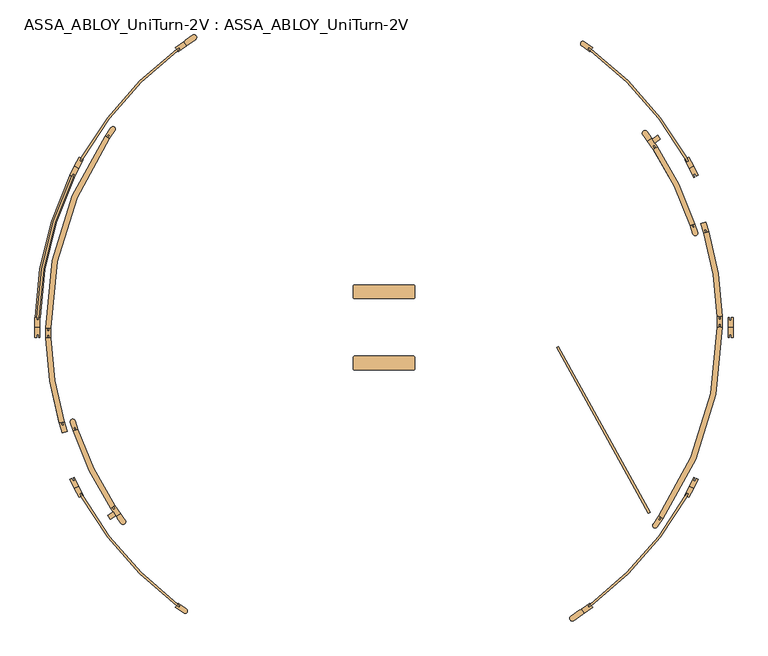
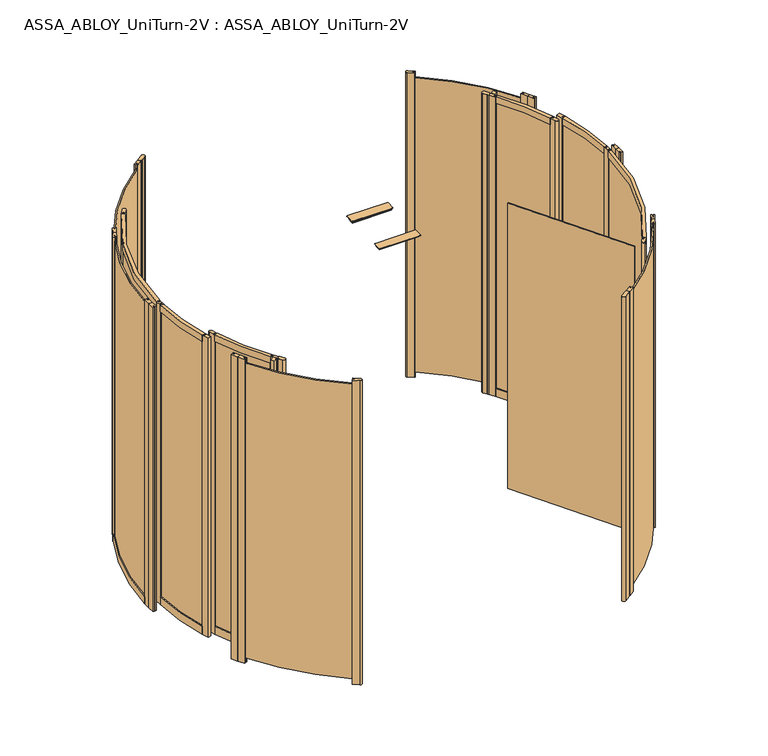
"""IFC4 building model written with IfcOpenShell, lengths in millimetres: door geometry, ASSA_ABLOY_UniTurn-2V : ASSA_ABLOY_UniTurn-2V."""

from ifc_helpers import new_model, si_unit, point, frame, frame_2d, origin, origin_with_axes, place, context, project, spatial, polyline, circle_curve, trimmed, segment, composite_curve, outline, extrude, source, transform, mapped, element, save
from ifc_brep_helpers import plane_surface, cylinder_surface, revolved_surface, advanced_brep


def assa_abloy_uniturn_2v_assa_abloy_uniturn_2v_3fd08d6d(model_context):
    return source(origin(), model_context, "Body", "SolidModel", [
        advanced_brep(
        [(-1700.2306704, 53.0, 56.0), (-1700.2306704, 53.0, 0.0), (-1674.2416247, 52.245345, 0.0), (-1674.2416247, 52.245345, 56.0), (-1679.2395181, 52.390471, 56.0), (-1679.2395181, 52.390471, 41.0), (-1689.2353049, 52.6807229, 41.0), (-1689.2353049, 52.6807229, 56.0), (-1518.4720542, 795.7861567, 56.0), (-1508.5716201, 790.9922642, 56.0), (-1508.5716201, 790.9922642, 41.0), (-1499.5712255, 786.6341801, 41.0), (-1499.5712255, 786.6341801, 56.0), (-1495.0710282, 784.4551381, 56.0), (-1495.0710282, 784.4551381, 0.0), (-1518.4720542, 795.7861567, 0.0)],
        [
            (0, 1),
            (1, 2),
            (2, 3),
            (3, 4),
            (4, 5),
            (5, 6),
            (6, 7),
            (7, 0),
            (8, 9),
            (9, 10),
            (10, 11),
            (11, 12),
            (12, 13),
            (13, 14),
            (14, 15),
            (15, 8),
            (15, 1, circle_curve(frame((125.0, 0.0, 0.0), z_axis=(0.0, 0.0, 1.0), x_axis=(-0.9995786803689732, 0.029025191675892625, 0.0)), 1826.0)),
            (0, 8, circle_curve(frame((125.0, 0.0, 56.0), z_axis=(0.0, 0.0, -1.0), x_axis=(-0.9995786803689732, 0.029025191675892625, 0.0)), 1826.0)),
            (14, 2, circle_curve(frame((125.0, 0.0, 0.0), z_axis=(0.0, 0.0, 1.0), x_axis=(-0.9995786803689732, 0.029025191675892625, 0.0)), 1800.0)),
            (13, 3, circle_curve(frame((125.0, 0.0, 56.0), z_axis=(0.0, 0.0, 1.0), x_axis=(-0.9995786803689732, 0.029025191675892625, 0.0)), 1800.0)),
            (12, 4, circle_curve(frame((125.0, 0.0, 56.0), z_axis=(0.0, 0.0, 1.0), x_axis=(-0.9995786803689732, 0.029025191675892625, 0.0)), 1805.0)),
            (11, 5, circle_curve(frame((125.0, 0.0, 41.0), z_axis=(0.0, 0.0, 1.0), x_axis=(-0.9995786803689732, 0.029025191675892625, 0.0)), 1805.0)),
            (10, 6, circle_curve(frame((125.0, 0.0, 41.0), z_axis=(0.0, 0.0, 1.0), x_axis=(-0.9995786803689732, 0.029025191675892625, 0.0)), 1815.0)),
            (9, 7, circle_curve(frame((125.0, 0.0, 56.0), z_axis=(0.0, 0.0, 1.0), x_axis=(-0.9995786803689732, 0.029025191675892625, 0.0)), 1815.0)),
        ],
        [
            plane_surface(frame((-1700.2306704, 53.0, 0.0), z_axis=(-0.02902519167589263, -0.9995786803689732, 0.0), x_axis=(0.0, 0.0, 1.0))),
            plane_surface(frame((-1518.4720542, 795.7861567, 0.0), z_axis=(0.43580841002827103, 0.9000394601064059, 0.0), x_axis=(0.0, 0.0, 1.0))),
            cylinder_surface(frame((125.0, 0.0, 0.0), z_axis=(0.0, 0.0, -1.0000000000000002), x_axis=(-0.9995786803689732, 0.029025191675892625, 0.0)), 1826.0),
            plane_surface(frame((125.0, 0.0, 0.0), z_axis=(0.0, 0.0, -1.0000000000000002), x_axis=(-0.9995786803689732, 0.029025191675892625, 0.0))),
            revolved_surface(polyline([(-1674.241624664152, 52.24534501660673, 0.0), (-1674.241624664152, 52.24534501660673, 56.00000000000003)]), (125.0, 0.0, 0.0), (0.0, 0.0, -1.0000000000000002)),
            plane_surface(frame((125.0, 0.0, 56.0), z_axis=(0.0, 0.0, 1.0000000000000002), x_axis=(-0.9995786803689732, 0.029025191675892625, 0.0))),
            cylinder_surface(frame((125.0, 0.0, 0.0), z_axis=(0.0, 0.0, -1.0000000000000002), x_axis=(-0.9995786803689732, 0.029025191675892625, 0.0)), 1805.0),
            plane_surface(frame((125.0, 0.0, 41.0), z_axis=(0.0, 0.0, 1.0000000000000002), x_axis=(-0.9995786803689732, 0.029025191675892625, 0.0))),
            revolved_surface(polyline([(-1689.2353048696864, 52.68072289174511, 41.000000000000014), (-1689.2353048696864, 52.68072289174511, 56.00000000000003)]), (125.0, 0.0, 0.0), (0.0, 0.0, -1.0000000000000002)),
        ],
        [
            (0, [[1, 2, 3, 4, 5, 6, 7, 8]]),
            (1, [[9, 10, 11, 12, 13, 14, 15, 16]]),
            (2, [[17, -1, 18, -16]]),
            (3, [[19, -2, -17, -15]]),
            (4, [[20, -3, -19, -14]]),
            (5, [[21, -4, -20, -13]]),
            (6, [[22, -5, -21, -12]]),
            (7, [[23, -6, -22, -11]]),
            (8, [[24, -7, -23, -10]]),
            (5, [[-18, -8, -24, -9]]),
        ],
    ),
        extrude(outline(composite_curve([segment(polyline([(-907.4375854, 1474.4736797), (-922.3505728, 1495.7716329), (-913.9952219, 1501.6221125), (-914.5687984, 1502.4412646), (-877.0516347, 1528.7110654)]), True, "CONTINUOUS"), segment(trimmed(circle_curve(frame_2d((-869.0215646, 1517.2429367)), 14.0), [point((-877.0516347, 1528.7110654))], [point((-860.9914945, 1505.7748081))], False, "CARTESIAN"), True, "CONTINUOUS"), segment(polyline([(-860.9914945, 1505.7748081), (-898.5086581, 1479.5050073), (-899.0822346, 1480.3241594), (-907.4375854, 1474.4736797)]), True, "CONTINUOUS")], self_intersect=False)), origin_with_axes(), (0.0, 0.0, 1.0), 2500.0),
        extrude(outline(composite_curve([segment(polyline([(1172.3505728, -1495.7716329), (1163.9952219, -1501.6221125), (1164.5687984, -1502.4412646), (1118.6962839, -1534.561545)]), True, "CONTINUOUS"), segment(trimmed(circle_curve(frame_2d((1110.6662138, -1523.0934164)), 14.0), [point((1118.6962839, -1534.561545))], [point((1102.6361437, -1511.6252878))], False, "CARTESIAN"), True, "CONTINUOUS"), segment(polyline([(1102.6361437, -1511.6252878), (1148.5086581, -1479.5050073), (1149.0822346, -1480.3241594), (1157.4375854, -1474.4736797), (1172.3505728, -1495.7716329)]), True, "CONTINUOUS")], self_intersect=False)), origin_with_axes(), (0.0, 0.0, 1.0), 2500.0),
        extrude(outline(composite_curve([segment(polyline([(1701.7592796, -880.5601708), (1709.1472574, -866.3679974), (1718.0173657, -870.9854836), (1710.6293879, -885.1776569)]), True, "CONTINUOUS"), segment(trimmed(circle_curve(frame_2d((125.0, 0.0)), 1815.9735791), [point((1710.6293879, -885.1776569))], [point((1209.5710056, -1456.5252397))], False, "CARTESIAN"), True, "CONTINUOUS"), segment(polyline([(1209.5710056, -1456.5252397), (1196.4645729, -1465.7024626), (1190.7288085, -1457.5109422), (1203.8352412, -1448.3337192)]), True, "CONTINUOUS"), segment(trimmed(circle_curve(frame_2d((125.0, 0.0)), 1805.9778625), [point((1203.8352412, -1448.3337192))], [point((1701.7592796, -880.5601708))], True, "CARTESIAN"), True, "CONTINUOUS")], self_intersect=False)), frame((0.0, 0.0, 41.0), z_axis=(0.0, 0.0, 1.0), x_axis=(1.0, 0.0, 0.0)), (0.0, 0.0, 1.0), 2421.0),
        extrude(outline(composite_curve([segment(trimmed(circle_curve(frame_2d((125.0, 0.0)), 1815.9651017), [point((1209.3324154, 1456.6923023))], [point((1710.763879, 884.9193018))], False, "CARTESIAN"), True, "CONTINUOUS"), segment(polyline([(1710.763879, 884.9193018), (1718.0173657, 870.9854836), (1709.1472574, 866.3679974), (1701.7592796, 880.5601708)]), True, "CONTINUOUS"), segment(trimmed(circle_curve(frame_2d((125.0, 0.0)), 1805.9778625), [point((1701.7592796, 880.5601708))], [point((1203.8352412, 1448.3337192))], True, "CARTESIAN"), True, "CONTINUOUS"), segment(polyline([(1203.8352412, 1448.3337192), (1190.7288085, 1457.5109422), (1196.4645729, 1465.7024626), (1209.3324154, 1456.6923023)]), True, "CONTINUOUS")], self_intersect=False)), frame((0.0, 0.0, 41.0), z_axis=(0.0, 0.0, 1.0), x_axis=(1.0, 0.0, 0.0)), (0.0, 0.0, 1.0), 2421.0),
        extrude(outline(polyline([(1172.3505728, -1495.7716329), (1157.4375854, -1474.4736797), (1200.8526438, -1444.0741286), (1203.8352412, -1448.3337192), (1190.7288085, -1457.5109422), (1196.4645729, -1465.7024626), (1209.5710056, -1456.5252397), (1215.7656311, -1465.3720817), (1172.3505728, -1495.7716329)])), origin_with_axes(), (0.0, 0.0, 1.0), 2500.0),
        extrude(outline(polyline([(1744.6817814, -843.1529678), (1720.2091049, -890.1645419), (1710.6293879, -885.1776569), (1718.0173657, -870.9854836), (1709.1472574, -866.3679974), (1701.7592796, -880.5601708), (1697.1468232, -878.159078), (1721.6194997, -831.1475038), (1744.6817814, -843.1529678)])), origin_with_axes(), (0.0, 0.0, 1.0), 2500.0),
        extrude(outline(polyline([(1744.6817814, -843.1529678), (1721.6194997, -831.1475038), (1746.0921762, -784.1359297), (1750.7046326, -786.5370225), (1743.3166547, -800.7291958), (1752.1867631, -805.3466819), (1759.5747409, -791.1545086), (1769.1544579, -796.1413936), (1744.6817814, -843.1529678)])), origin_with_axes(), (0.0, 0.0, 1.0), 2500.0),
        extrude(outline(composite_curve([segment(polyline([(1215.7656311, 1465.3720817), (1209.5710056, 1456.5252397), (1196.4645729, 1465.7024626), (1190.7288085, 1457.5109422), (1203.8352412, 1448.3337192), (1200.8526438, 1444.0741286), (1158.4205679, 1473.785388)]), True, "CONTINUOUS"), segment(trimmed(circle_curve(frame_2d((1165.8770616, 1484.4343646)), 13.0), [point((1158.4205679, 1473.785388))], [point((1173.3335552, 1495.0833411))], False, "CARTESIAN"), True, "CONTINUOUS"), segment(polyline([(1173.3335552, 1495.0833411), (1215.7656311, 1465.3720817)]), True, "CONTINUOUS")], self_intersect=False)), origin_with_axes(), (0.0, 0.0, 1.0), 2500.0),
        extrude(outline(polyline([(1744.6817814, 843.1529678), (1769.1544579, 796.1413936), (1759.5747409, 791.1545086), (1752.1867631, 805.3466819), (1743.3166547, 800.7291958), (1750.7046326, 786.5370225), (1746.0921762, 784.1359297), (1721.6194997, 831.1475038), (1744.6817814, 843.1529678)])), origin_with_axes(), (0.0, 0.0, 1.0), 2500.0),
        extrude(outline(polyline([(1744.6817814, 843.1529678), (1721.6194997, 831.1475038), (1697.1468232, 878.159078), (1701.7592796, 880.5601708), (1709.1472574, 866.3679974), (1718.0173657, 870.9854836), (1710.6293879, 885.1776569), (1720.2091049, 890.1645419), (1744.6817814, 843.1529678)])), origin_with_axes(), (0.0, 0.0, 1.0), 2500.0),
        extrude(outline(polyline([(1951.0, 0.0), (1951.0, -53.0), (1940.2, -53.0), (1940.2, -37.0), (1930.2, -37.0), (1930.2, -53.0), (1925.0, -53.0), (1925.0, 0.0), (1951.0, 0.0)])), origin_with_axes(), (0.0, 0.0, 1.0), 2500.0),
        extrude(outline(polyline([(1951.0, 0.0), (1925.0, 0.0), (1925.0, 53.0), (1930.2, 53.0), (1930.2, 37.0), (1940.2, 37.0), (1940.2, 53.0), (1951.0, 53.0), (1951.0, 0.0)])), origin_with_axes(), (0.0, 0.0, 1.0), 2500.0),
        extrude(outline(composite_curve([segment(polyline([(-953.8352412, -1448.3337192), (-941.5479606, -1456.9373658), (-947.2837249, -1465.1288862), (-959.5710056, -1456.5252397)]), True, "CONTINUOUS"), segment(trimmed(circle_curve(frame_2d((125.0, 0.0)), 1815.9735791), [point((-959.5710056, -1456.5252397))], [point((-1460.6293879, -885.1776569))], False, "CARTESIAN"), True, "CONTINUOUS"), segment(polyline([(-1460.6293879, -885.1776569), (-1467.5556171, -871.8724944), (-1458.6855088, -867.2550083), (-1451.7592795, -880.5601708)]), True, "CONTINUOUS"), segment(trimmed(circle_curve(frame_2d((125.0, 0.0)), 1805.9778625), [point((-1451.7592795, -880.5601708))], [point((-953.8352412, -1448.3337192))], True, "CARTESIAN"), True, "CONTINUOUS")], self_intersect=False)), frame((0.0, 0.0, 41.0), z_axis=(0.0, 0.0, 1.0), x_axis=(1.0, 0.0, 0.0)), (0.0, 0.0, 1.0), 2421.0),
        extrude(outline(composite_curve([segment(trimmed(circle_curve(frame_2d((125.0, 0.0)), 1805.9778625), [point((-953.8352412, 1448.3337192))], [point((-1451.7592796, 880.5601708))], True, "CARTESIAN"), True, "CONTINUOUS"), segment(polyline([(-1451.7592796, 880.5601708), (-1458.6855088, 867.2550083), (-1467.5556171, 871.8724944), (-1460.6293879, 885.1776569)]), True, "CONTINUOUS"), segment(trimmed(circle_curve(frame_2d((125.0, 0.0)), 1815.9735791), [point((-1460.6293879, 885.1776569))], [point((-959.5710056, 1456.5252397))], False, "CARTESIAN"), True, "CONTINUOUS"), segment(polyline([(-959.5710056, 1456.5252397), (-947.2837249, 1465.1288862), (-941.5479606, 1456.9373658), (-953.8352412, 1448.3337192)]), True, "CONTINUOUS")], self_intersect=False)), frame((0.0, 0.0, 41.0), z_axis=(0.0, 0.0, 1.0), x_axis=(1.0, 0.0, 0.0)), (0.0, 0.0, 1.0), 2421.0),
        extrude(outline(composite_curve([segment(trimmed(circle_curve(frame_2d((125.0, 0.0)), 1805.9778625), [point((-1500.7046326, 786.5370225))], [point((-1680.2, 53.0))], True, "CARTESIAN"), True, "CONTINUOUS"), segment(polyline([(-1680.2, 53.0), (-1680.2, 38.0), (-1690.2, 38.0), (-1690.2, 53.0)]), True, "CONTINUOUS"), segment(trimmed(circle_curve(frame_2d((125.0, 0.0)), 1815.9735791), [point((-1690.2, 53.0))], [point((-1509.5747409, 791.1545086))], False, "CARTESIAN"), True, "CONTINUOUS"), segment(polyline([(-1509.5747409, 791.1545086), (-1502.6485117, 804.4596711), (-1493.7784034, 799.842185), (-1500.7046326, 786.5370225)]), True, "CONTINUOUS")], self_intersect=False)), frame((0.0, 0.0, 41.0), z_axis=(0.0, 0.0, 1.0), x_axis=(1.0, 0.0, 0.0)), (0.0, 0.0, 1.0), 2421.0),
        extrude(outline(polyline([(-1494.6773084, -843.1615602), (-1471.6150268, -831.1560963), (-1447.1468232, -878.159078), (-1451.7592796, -880.5601708), (-1458.6855088, -867.2550083), (-1467.5556171, -871.8724944), (-1460.6293879, -885.1776569), (-1470.2091049, -890.1645419), (-1494.6773084, -843.1615602)])), origin_with_axes(), (0.0, 0.0, 1.0), 2500.0),
        extrude(outline(polyline([(-1494.6817814, -843.1529678), (-1519.1544579, -796.1413936), (-1509.5747409, -791.1545086), (-1502.6485117, -804.4596711), (-1493.7784034, -799.842185), (-1500.7046326, -786.5370225), (-1496.0921762, -784.1359297), (-1471.6194997, -831.1475038), (-1494.6817814, -843.1529678)])), origin_with_axes(), (0.0, 0.0, 1.0), 2500.0),
        extrude(outline(composite_curve([segment(polyline([(-965.7656311, -1465.3720817), (-959.5710056, -1456.5252397), (-947.2837249, -1465.1288862), (-941.5479606, -1456.9373658), (-953.8352412, -1448.3337192), (-950.8526438, -1444.0741286), (-908.4205679, -1473.785388)]), True, "CONTINUOUS"), segment(trimmed(circle_curve(frame_2d((-915.8770616, -1484.4343646)), 13.0), [point((-908.4205679, -1473.785388))], [point((-923.3335552, -1495.0833411))], False, "CARTESIAN"), True, "CONTINUOUS"), segment(polyline([(-923.3335552, -1495.0833411), (-965.7656311, -1465.3720817)]), True, "CONTINUOUS")], self_intersect=False)), origin_with_axes(), (0.0, 0.0, 1.0), 2500.0),
        extrude(outline(polyline([(-922.3505728, 1495.7716329), (-907.4375854, 1474.4736797), (-950.8526438, 1444.0741286), (-953.8352412, 1448.3337192), (-941.5479606, 1456.9373658), (-947.2837249, 1465.1288862), (-959.5710056, 1456.5252397), (-965.7656311, 1465.3720817), (-922.3505728, 1495.7716329)])), origin_with_axes(), (0.0, 0.0, 1.0), 2500.0),
        extrude(outline(polyline([(-1494.6817814, 843.1529678), (-1471.6194997, 831.1475038), (-1496.0921762, 784.1359297), (-1500.7046326, 786.5370225), (-1493.7784034, 799.842185), (-1502.6485117, 804.4596711), (-1509.5747409, 791.1545086), (-1519.1544579, 796.1413936), (-1494.6817814, 843.1529678)])), origin_with_axes(), (0.0, 0.0, 1.0), 2500.0),
        extrude(outline(polyline([(-1494.6817814, 843.1529678), (-1470.2091049, 890.1645419), (-1460.6293879, 885.1776569), (-1467.5556171, 871.8724944), (-1458.6855088, 867.2550083), (-1451.7592796, 880.5601708), (-1447.1468232, 878.159078), (-1471.6194997, 831.1475038), (-1494.6817814, 843.1529678)])), origin_with_axes(), (0.0, 0.0, 1.0), 2500.0),
        extrude(outline(polyline([(-1701.0, 0.0), (-1675.0, 0.0), (-1675.0, -53.0), (-1680.2, -53.0), (-1680.2, -38.0), (-1690.2, -38.0), (-1690.2, -53.0), (-1701.0, -53.0), (-1701.0, 0.0)])), origin_with_axes(), (0.0, 0.0, 1.0), 2500.0),
        extrude(outline(polyline([(-1700.8261964, 0.0), (-1700.8261964, 53.0), (-1690.2, 53.0), (-1690.2, 38.0), (-1680.2, 38.0), (-1680.2, 53.0), (-1675.0, 53.0), (-1675.0, 0.0), (-1700.8261964, 0.0)])), origin_with_axes(), (0.0, 0.0, 1.0), 2500.0),
        extrude(outline(composite_curve([segment(trimmed(circle_curve(frame_2d((125.0, 0.0)), 1770.0), [point((-1644.997187, -3.1556429))], [point((-1333.8407002, 1002.3391699))], False, "CARTESIAN"), True, "CONTINUOUS"), segment(polyline([(-1333.8407002, 1002.3391699), (-1312.4114018, 987.6155436)]), True, "CONTINUOUS"), segment(trimmed(circle_curve(frame_2d((125.0, 0.0)), 1744.0), [point((-1312.4114018, 987.6155436))], [point((-1618.9972283, -3.1092888))], True, "CARTESIAN"), True, "CONTINUOUS"), segment(polyline([(-1618.9972283, -3.1092888), (-1644.997187, -3.1556429)]), True, "CONTINUOUS")], self_intersect=False)), frame((0.0, 0.0, 2447.0), z_axis=(0.0, 0.0, 1.0), x_axis=(1.0, 0.0, 0.0)), (0.0, 0.0, 1.0), 53.0),
        extrude(outline(composite_curve([segment(trimmed(circle_curve(frame_2d((125.0, 0.0)), 1770.0), [point((-1572.6176373, -500.9933707))], [point((-1644.109205, -56.1482036))], False, "CARTESIAN"), True, "CONTINUOUS"), segment(polyline([(-1644.109205, -56.1482036), (-1618.1222901, -55.3234277)]), True, "CONTINUOUS"), segment(trimmed(circle_curve(frame_2d((125.0, 0.0)), 1744.0), [point((-1618.1222901, -55.3234277))], [point((-1547.6808811, -493.634146))], True, "CARTESIAN"), True, "CONTINUOUS"), segment(polyline([(-1547.6808811, -493.634146), (-1572.6176373, -500.9933707)]), True, "CONTINUOUS")], self_intersect=False)), frame((0.0, 0.0, 2447.0), z_axis=(0.0, 0.0, 1.0), x_axis=(1.0, 0.0, 0.0)), (0.0, 0.0, 1.0), 53.0),
        extrude(outline(composite_curve([segment(trimmed(circle_curve(frame_2d((125.0, 0.0)), 1714.18), [point((-1304.3608285, -946.2244419))], [point((-1501.3005929, -541.8112716))], False, "CARTESIAN"), True, "CONTINUOUS"), segment(polyline([(-1501.3005929, -541.8112716), (-1476.6335127, -533.5932939)]), True, "CONTINUOUS"), segment(trimmed(circle_curve(frame_2d((125.0, 0.0)), 1688.18), [point((-1476.6335127, -533.5932939))], [point((-1282.6808523, -931.8724861))], True, "CARTESIAN"), True, "CONTINUOUS"), segment(polyline([(-1282.6808523, -931.8724861), (-1304.3608285, -946.2244419)]), True, "CONTINUOUS")], self_intersect=False)), frame((0.0, 0.0, 2447.0), z_axis=(0.0, 0.0, 1.0), x_axis=(1.0, 0.0, 0.0)), (0.0, 0.0, 1.0), 53.0),
        extrude(outline(polyline([(-1277.2698299, -985.8486568), (-1306.1522531, -1005.6174613), (-1320.8376507, -984.161947), (-1291.9552275, -964.3931425), (-1277.2698299, -985.8486568)])), frame((0.0, 0.0, 40.0), z_axis=(0.0, 0.0, 1.0), x_axis=(1.0, 0.0, 0.0)), (0.0, 0.0, 1.0), 2460.0),
        extrude(outline(composite_curve([segment(polyline([(-1252.9902006, -975.2893197), (-1247.2835329, -983.6268189), (-1246.4583208, -983.0619959), (-1228.2729762, -1009.6309681)]), True, "CONTINUOUS"), segment(trimmed(circle_curve(frame_2d((-1240.4124924, -1016.6815389)), 14.0384615), [point((-1228.2729762, -1009.6309681))], [point((-1251.3789148, -1025.4460117))], False, "CARTESIAN"), True, "CONTINUOUS"), segment(polyline([(-1251.3789148, -1025.4460117), (-1269.5662149, -998.8741824), (-1268.7410028, -998.3093594), (-1274.445715, -989.9747173), (-1252.9902006, -975.2893197)]), True, "CONTINUOUS")], self_intersect=False)), frame((0.0, 0.0, 40.0), z_axis=(0.0, 0.0, 1.0), x_axis=(1.0, 0.0, 0.0)), (0.0, 0.0, 1.0), 2460.0),
        extrude(outline(polyline([(-1274.445715, -989.9747173), (-1304.3813332, -946.2384765), (-1297.7796364, -941.7198926), (-1289.3072917, -954.098074), (-1281.0551708, -948.4498441), (-1289.5275155, -936.0716627), (-1282.9258188, -931.5530789), (-1252.9902006, -975.2893197), (-1274.445715, -989.9747173)])), frame((0.0, 0.0, 40.0), z_axis=(0.0, 0.0, 1.0), x_axis=(1.0, 0.0, 0.0)), (0.0, 0.0, 1.0), 2460.0),
        extrude(outline(composite_curve([segment(polyline([(-1501.3242854, -541.81876), (-1515.4887481, -497.0039411)]), True, "CONTINUOUS"), segment(trimmed(circle_curve(frame_2d((-1503.0931599, -493.086111)), 13.0), [point((-1515.4887481, -497.0039411))], [point((-1490.6975716, -489.1682809))], False, "CARTESIAN"), True, "CONTINUOUS"), segment(polyline([(-1490.6975716, -489.1682809), (-1476.533109, -533.9830998), (-1484.1611632, -536.3940722), (-1488.6817364, -522.0914704), (-1498.2168043, -525.1051859), (-1493.6962311, -539.4077877), (-1501.3242854, -541.81876)]), True, "CONTINUOUS")], self_intersect=False)), frame((0.0, 0.0, 40.0), z_axis=(0.0, 0.0, 1.0), x_axis=(1.0, 0.0, 0.0)), (0.0, 0.0, 1.0), 2460.0),
        extrude(outline(polyline([(-1572.6415731, -501.0008258), (-1565.0034867, -498.6218268), (-1560.5428636, -512.9432388), (-1550.9952556, -509.9694901), (-1555.4558787, -495.6480781), (-1547.8177923, -493.2690791), (-1532.056924, -543.8714015), (-1556.8807048, -551.6031482), (-1572.6415731, -501.0008258)])), frame((0.0, 0.0, 40.0), z_axis=(0.0, 0.0, 1.0), x_axis=(1.0, 0.0, 0.0)), (0.0, 0.0, 1.0), 2460.0),
        extrude(outline(composite_curve([segment(polyline([(-1333.8611481, 1002.3536746), (-1303.7755279, 1044.7665907)]), True, "CONTINUOUS"), segment(trimmed(circle_curve(frame_2d((-1293.1722989, 1037.2451857)), 13.0), [point((-1303.7755279, 1044.7665907))], [point((-1282.5690698, 1029.7237807))], False, "CARTESIAN"), True, "CONTINUOUS"), segment(polyline([(-1282.5690698, 1029.7237807), (-1312.65469, 987.3108645), (-1319.179754, 991.9394214), (-1310.5012097, 1004.1739165), (-1318.6575398, 1009.9596127), (-1327.336084, 997.7251176), (-1333.8611481, 1002.3536746)]), True, "CONTINUOUS")], self_intersect=False)), frame((0.0, 0.0, 40.0), z_axis=(0.0, 0.0, 1.0), x_axis=(1.0, 0.0, 0.0)), (0.0, 0.0, 1.0), 2460.0),
        extrude(outline(polyline([(-1644.1342714, -56.1486236), (-1645.0222534, -3.1560629), (-1637.0233763, -3.0220279), (-1636.7720607, -18.0199224), (-1626.7734643, -17.8523786), (-1627.02478, -2.8544841), (-1619.0259029, -2.7204491), (-1618.1379209, -55.7130098), (-1626.136798, -55.8470448), (-1626.3881136, -40.8491503), (-1636.38671, -41.016694), (-1636.1353943, -56.0145886), (-1644.1342714, -56.1486236)])), frame((0.0, 0.0, 40.0), z_axis=(0.0, 0.0, 1.0), x_axis=(1.0, 0.0, 0.0)), (0.0, 0.0, 1.0), 2460.0),
        extrude(outline(composite_curve([segment(trimmed(circle_curve(frame_2d((125.0, 0.0)), 1706.18), [point((-1289.3938312, -954.2223444))], [point((-1498.3679996, -525.0966867))], False, "CARTESIAN"), True, "CONTINUOUS"), segment(polyline([(-1498.3679996, -525.0966867), (-1488.8533645, -522.0190707)]), True, "CONTINUOUS"), segment(trimmed(circle_curve(frame_2d((125.0, 0.0)), 1696.18), [point((-1488.8533645, -522.0190707))], [point((-1281.1040035, -948.6296031))], True, "CARTESIAN"), True, "CONTINUOUS"), segment(polyline([(-1281.1040035, -948.6296031), (-1289.3938312, -954.2223444)]), True, "CONTINUOUS")], self_intersect=False)), frame((0.0, 0.0, 105.0), z_axis=(0.0, 0.0, 1.0), x_axis=(1.0, 0.0, 0.0)), (0.0, 0.0, 1.0), 2342.0),
        extrude(outline(composite_curve([segment(trimmed(circle_curve(frame_2d((125.0, 0.0)), 1762.0), [point((-1560.6573752, -513.0333455))], [point((-1636.5236883, -40.9670046))], False, "CARTESIAN"), True, "CONTINUOUS"), segment(polyline([(-1636.5236883, -40.9670046), (-1626.5263916, -40.7345018)]), True, "CONTINUOUS"), segment(trimmed(circle_curve(frame_2d((125.0, 0.0)), 1752.0), [point((-1626.5263916, -40.7345018))], [point((-1551.0906477, -510.121692))], True, "CARTESIAN"), True, "CONTINUOUS"), segment(polyline([(-1551.0906477, -510.121692), (-1560.6573752, -513.0333455)]), True, "CONTINUOUS")], self_intersect=False)), frame((0.0, 0.0, 105.0), z_axis=(0.0, 0.0, 1.0), x_axis=(1.0, 0.0, 0.0)), (0.0, 0.0, 1.0), 2342.0),
        extrude(outline(composite_curve([segment(trimmed(circle_curve(frame_2d((125.0, 0.0)), 1762.0), [point((-1636.9072973, -18.0741732))], [point((-1318.7384966, 1010.0807659))], False, "CARTESIAN"), True, "CONTINUOUS"), segment(polyline([(-1318.7384966, 1010.0807659), (-1310.544748, 1004.3481849)]), True, "CONTINUOUS"), segment(trimmed(circle_curve(frame_2d((125.0, 0.0)), 1752.0), [point((-1310.544748, 1004.3481849))], [point((-1626.9078234, -17.9715956))], True, "CARTESIAN"), True, "CONTINUOUS"), segment(polyline([(-1626.9078234, -17.9715956), (-1636.9072973, -18.0741732)]), True, "CONTINUOUS")], self_intersect=False)), frame((0.0, 0.0, 105.0), z_axis=(0.0, 0.0, 1.0), x_axis=(1.0, 0.0, 0.0)), (0.0, 0.0, 1.0), 2342.0),
        extrude(outline(composite_curve([segment(trimmed(circle_curve(frame_2d((125.0, 0.0)), 1770.0), [point((-1644.997187, -3.1556429))], [point((-1333.8407002, 1002.3391699))], False, "CARTESIAN"), True, "CONTINUOUS"), segment(polyline([(-1333.8407002, 1002.3391699), (-1312.4114018, 987.6155436)]), True, "CONTINUOUS"), segment(trimmed(circle_curve(frame_2d((125.0, 0.0)), 1744.0), [point((-1312.4114018, 987.6155436))], [point((-1618.9972283, -3.1092888))], True, "CARTESIAN"), True, "CONTINUOUS"), segment(polyline([(-1618.9972283, -3.1092888), (-1644.997187, -3.1556429)]), True, "CONTINUOUS")], self_intersect=False)), frame((0.0, 0.0, 40.0), z_axis=(0.0, 0.0, 1.0), x_axis=(1.0, 0.0, 0.0)), (0.0, 0.0, 1.0), 65.0),
        extrude(outline(composite_curve([segment(trimmed(circle_curve(frame_2d((125.0, 0.0)), 1770.0), [point((-1572.6176373, -500.9933707))], [point((-1644.109205, -56.1482036))], False, "CARTESIAN"), True, "CONTINUOUS"), segment(polyline([(-1644.109205, -56.1482036), (-1618.1222901, -55.3234277)]), True, "CONTINUOUS"), segment(trimmed(circle_curve(frame_2d((125.0, 0.0)), 1744.0), [point((-1618.1222901, -55.3234277))], [point((-1547.6808811, -493.634146))], True, "CARTESIAN"), True, "CONTINUOUS"), segment(polyline([(-1547.6808811, -493.634146), (-1572.6176373, -500.9933707)]), True, "CONTINUOUS")], self_intersect=False)), frame((0.0, 0.0, 40.0), z_axis=(0.0, 0.0, 1.0), x_axis=(1.0, 0.0, 0.0)), (0.0, 0.0, 1.0), 65.0),
        extrude(outline(composite_curve([segment(trimmed(circle_curve(frame_2d((125.0, 0.0)), 1714.2740759), [point((-1304.4384703, -946.2775845))], [point((-1501.3903056, -541.8396268))], False, "CARTESIAN"), True, "CONTINUOUS"), segment(polyline([(-1501.3903056, -541.8396268), (-1476.7232185, -533.62167)]), True, "CONTINUOUS"), segment(trimmed(circle_curve(frame_2d((125.0, 0.0)), 1688.2740759), [point((-1476.7232185, -533.62167))], [point((-1282.7585064, -931.9256103))], True, "CARTESIAN"), True, "CONTINUOUS"), segment(polyline([(-1282.7585064, -931.9256103), (-1304.4384703, -946.2775845)]), True, "CONTINUOUS")], self_intersect=False)), frame((0.0, 0.0, 40.0), z_axis=(0.0, 0.0, 1.0), x_axis=(1.0, 0.0, 0.0)), (0.0, 0.0, 1.0), 65.0),
        extrude(outline(polyline([(1527.2698299, 985.8486568), (1556.1522531, 1005.6174613), (1570.8376507, 984.161947), (1541.9552275, 964.3931425), (1527.2698299, 985.8486568)])), frame((0.0, 0.0, 40.0), z_axis=(0.0, 0.0, 1.0), x_axis=(1.0, 0.0, 0.0)), (0.0, 0.0, 1.0), 2460.0),
        extrude(outline(composite_curve([segment(polyline([(1502.9902006, 975.2893197), (1497.2835329, 983.6268189), (1496.4583208, 983.0619959), (1478.2729762, 1009.6309681)]), True, "CONTINUOUS"), segment(trimmed(circle_curve(frame_2d((1490.4124924, 1016.6815389)), 14.0384615), [point((1478.2729762, 1009.6309681))], [point((1501.3789148, 1025.4460117))], False, "CARTESIAN"), True, "CONTINUOUS"), segment(polyline([(1501.3789148, 1025.4460117), (1519.5662149, 998.8741824), (1518.7410028, 998.3093594), (1524.445715, 989.9747173), (1502.9902006, 975.2893197)]), True, "CONTINUOUS")], self_intersect=False)), frame((0.0, 0.0, 40.0), z_axis=(0.0, 0.0, 1.0), x_axis=(1.0, 0.0, 0.0)), (0.0, 0.0, 1.0), 2460.0),
        extrude(outline(polyline([(1524.445715, 989.9747173), (1554.3813332, 946.2384765), (1547.7796364, 941.7198926), (1539.3072917, 954.098074), (1531.0551708, 948.4498441), (1539.5275155, 936.0716627), (1532.9258188, 931.5530789), (1502.9902006, 975.2893197), (1524.445715, 989.9747173)])), frame((0.0, 0.0, 40.0), z_axis=(0.0, 0.0, 1.0), x_axis=(1.0, 0.0, 0.0)), (0.0, 0.0, 1.0), 2460.0),
        extrude(outline(composite_curve([segment(polyline([(1751.3242854, 541.81876), (1765.4887481, 497.0039411)]), True, "CONTINUOUS"), segment(trimmed(circle_curve(frame_2d((1753.0931599, 493.086111)), 13.0), [point((1765.4887481, 497.0039411))], [point((1740.6975716, 489.1682809))], False, "CARTESIAN"), True, "CONTINUOUS"), segment(polyline([(1740.6975716, 489.1682809), (1726.533109, 533.9830998), (1734.1611632, 536.3940722), (1738.6817364, 522.0914704), (1748.2168043, 525.1051859), (1743.6962311, 539.4077877), (1751.3242854, 541.81876)]), True, "CONTINUOUS")], self_intersect=False)), frame((0.0, 0.0, 40.0), z_axis=(0.0, 0.0, 1.0), x_axis=(1.0, 0.0, 0.0)), (0.0, 0.0, 1.0), 2460.0),
        extrude(outline(polyline([(1822.6415731, 501.0008258), (1815.0034867, 498.6218268), (1810.5428636, 512.9432388), (1800.9952556, 509.9694901), (1805.4558787, 495.6480781), (1797.8177923, 493.2690791), (1782.056924, 543.8714015), (1806.8807048, 551.6031482), (1822.6415731, 501.0008258)])), frame((0.0, 0.0, 40.0), z_axis=(0.0, 0.0, 1.0), x_axis=(1.0, 0.0, 0.0)), (0.0, 0.0, 1.0), 2460.0),
        extrude(outline(composite_curve([segment(polyline([(1583.8611481, -1002.3536746), (1553.7755279, -1044.7665907)]), True, "CONTINUOUS"), segment(trimmed(circle_curve(frame_2d((1543.1722989, -1037.2451857)), 13.0), [point((1553.7755279, -1044.7665907))], [point((1532.5690698, -1029.7237807))], False, "CARTESIAN"), True, "CONTINUOUS"), segment(polyline([(1532.5690698, -1029.7237807), (1562.65469, -987.3108645), (1569.179754, -991.9394214), (1560.5012097, -1004.1739165), (1568.6575398, -1009.9596127), (1577.336084, -997.7251176), (1583.8611481, -1002.3536746)]), True, "CONTINUOUS")], self_intersect=False)), frame((0.0, 0.0, 40.0), z_axis=(0.0, 0.0, 1.0), x_axis=(1.0, 0.0, 0.0)), (0.0, 0.0, 1.0), 2460.0),
        extrude(outline(polyline([(1894.1342714, 56.1486236), (1895.0222534, 3.1560629), (1887.0233763, 3.0220279), (1886.7720607, 18.0199224), (1876.7734643, 17.8523786), (1877.02478, 2.8544841), (1869.0259029, 2.7204491), (1868.1379209, 55.7130098), (1876.136798, 55.8470448), (1876.3881136, 40.8491503), (1886.38671, 41.016694), (1886.1353943, 56.0145886), (1894.1342714, 56.1486236)])), frame((0.0, 0.0, 40.0), z_axis=(0.0, 0.0, 1.0), x_axis=(1.0, 0.0, 0.0)), (0.0, 0.0, 1.0), 2460.0),
        extrude(outline(composite_curve([segment(trimmed(circle_curve(frame_2d((125.0, 0.0)), 1706.18), [point((1539.3938312, 954.2223444))], [point((1748.3679996, 525.0966867))], False, "CARTESIAN"), True, "CONTINUOUS"), segment(polyline([(1748.3679996, 525.0966867), (1738.8533645, 522.0190707)]), True, "CONTINUOUS"), segment(trimmed(circle_curve(frame_2d((125.0, 0.0)), 1696.18), [point((1738.8533645, 522.0190707))], [point((1531.1040035, 948.6296031))], True, "CARTESIAN"), True, "CONTINUOUS"), segment(polyline([(1531.1040035, 948.6296031), (1539.3938312, 954.2223444)]), True, "CONTINUOUS")], self_intersect=False)), frame((0.0, 0.0, 105.0), z_axis=(0.0, 0.0, 1.0), x_axis=(1.0, 0.0, 0.0)), (0.0, 0.0, 1.0), 2342.0),
        extrude(outline(composite_curve([segment(trimmed(circle_curve(frame_2d((125.0, 0.0)), 1762.0), [point((1810.6573752, 513.0333455))], [point((1886.5236883, 40.9670046))], False, "CARTESIAN"), True, "CONTINUOUS"), segment(polyline([(1886.5236883, 40.9670046), (1876.5263916, 40.7345018)]), True, "CONTINUOUS"), segment(trimmed(circle_curve(frame_2d((125.0, 0.0)), 1752.0), [point((1876.5263916, 40.7345018))], [point((1801.0906477, 510.121692))], True, "CARTESIAN"), True, "CONTINUOUS"), segment(polyline([(1801.0906477, 510.121692), (1810.6573752, 513.0333455)]), True, "CONTINUOUS")], self_intersect=False)), frame((0.0, 0.0, 105.0), z_axis=(0.0, 0.0, 1.0), x_axis=(1.0, 0.0, 0.0)), (0.0, 0.0, 1.0), 2342.0),
        extrude(outline(composite_curve([segment(trimmed(circle_curve(frame_2d((125.0, 0.0)), 1762.0), [point((1886.9072973, 18.0741732))], [point((1568.7384966, -1010.0807659))], False, "CARTESIAN"), True, "CONTINUOUS"), segment(polyline([(1568.7384966, -1010.0807659), (1560.544748, -1004.3481849)]), True, "CONTINUOUS"), segment(trimmed(circle_curve(frame_2d((125.0, 0.0)), 1752.0), [point((1560.544748, -1004.3481849))], [point((1876.9078234, 17.9715956))], True, "CARTESIAN"), True, "CONTINUOUS"), segment(polyline([(1876.9078234, 17.9715956), (1886.9072973, 18.0741732)]), True, "CONTINUOUS")], self_intersect=False)), frame((0.0, 0.0, 105.0), z_axis=(0.0, 0.0, 1.0), x_axis=(1.0, 0.0, 0.0)), (0.0, 0.0, 1.0), 2342.0),
        extrude(outline(composite_curve([segment(trimmed(circle_curve(frame_2d((125.0, 0.0)), 1770.0), [point((1894.997187, 3.1556429))], [point((1583.8407002, -1002.3391699))], False, "CARTESIAN"), True, "CONTINUOUS"), segment(polyline([(1583.8407002, -1002.3391699), (1562.4114018, -987.6155436)]), True, "CONTINUOUS"), segment(trimmed(circle_curve(frame_2d((125.0, 0.0)), 1744.0), [point((1562.4114018, -987.6155436))], [point((1868.9972283, 3.1092888))], True, "CARTESIAN"), True, "CONTINUOUS"), segment(polyline([(1868.9972283, 3.1092888), (1894.997187, 3.1556429)]), True, "CONTINUOUS")], self_intersect=False)), frame((0.0, 0.0, 2447.0), z_axis=(0.0, 0.0, 1.0), x_axis=(1.0, 0.0, 0.0)), (0.0, 0.0, 1.0), 53.0),
        extrude(outline(composite_curve([segment(trimmed(circle_curve(frame_2d((125.0, 0.0)), 1770.0), [point((1822.6176373, 500.9933707))], [point((1894.109205, 56.1482036))], False, "CARTESIAN"), True, "CONTINUOUS"), segment(polyline([(1894.109205, 56.1482036), (1868.1222901, 55.3234277)]), True, "CONTINUOUS"), segment(trimmed(circle_curve(frame_2d((125.0, 0.0)), 1744.0), [point((1868.1222901, 55.3234277))], [point((1797.6808811, 493.634146))], True, "CARTESIAN"), True, "CONTINUOUS"), segment(polyline([(1797.6808811, 493.634146), (1822.6176373, 500.9933707)]), True, "CONTINUOUS")], self_intersect=False)), frame((0.0, 0.0, 2447.0), z_axis=(0.0, 0.0, 1.0), x_axis=(1.0, 0.0, 0.0)), (0.0, 0.0, 1.0), 53.0),
        extrude(outline(composite_curve([segment(trimmed(circle_curve(frame_2d((125.0, 0.0)), 1714.18), [point((1554.3608285, 946.2244419))], [point((1751.3005929, 541.8112716))], False, "CARTESIAN"), True, "CONTINUOUS"), segment(polyline([(1751.3005929, 541.8112716), (1726.6335127, 533.5932939)]), True, "CONTINUOUS"), segment(trimmed(circle_curve(frame_2d((125.0, 0.0)), 1688.18), [point((1726.6335127, 533.5932939))], [point((1532.6808523, 931.8724861))], True, "CARTESIAN"), True, "CONTINUOUS"), segment(polyline([(1532.6808523, 931.8724861), (1554.3608285, 946.2244419)]), True, "CONTINUOUS")], self_intersect=False)), frame((0.0, 0.0, 2447.0), z_axis=(0.0, 0.0, 1.0), x_axis=(1.0, 0.0, 0.0)), (0.0, 0.0, 1.0), 53.0),
        extrude(outline(composite_curve([segment(trimmed(circle_curve(frame_2d((125.0, 0.0)), 1770.0), [point((1894.997187, 3.1556429))], [point((1583.8407002, -1002.3391699))], False, "CARTESIAN"), True, "CONTINUOUS"), segment(polyline([(1583.8407002, -1002.3391699), (1562.4114018, -987.6155436)]), True, "CONTINUOUS"), segment(trimmed(circle_curve(frame_2d((125.0, 0.0)), 1744.0), [point((1562.4114018, -987.6155436))], [point((1868.9972283, 3.1092888))], True, "CARTESIAN"), True, "CONTINUOUS"), segment(polyline([(1868.9972283, 3.1092888), (1894.997187, 3.1556429)]), True, "CONTINUOUS")], self_intersect=False)), frame((0.0, 0.0, 40.0), z_axis=(0.0, 0.0, 1.0), x_axis=(1.0, 0.0, 0.0)), (0.0, 0.0, 1.0), 65.0),
        extrude(outline(composite_curve([segment(trimmed(circle_curve(frame_2d((125.0, 0.0)), 1770.0), [point((1822.6176373, 500.9933707))], [point((1894.1632704, 54.4180359))], False, "CARTESIAN"), True, "CONTINUOUS"), segment(polyline([(1894.1632704, 54.4180359), (1868.1755614, 53.6186749)]), True, "CONTINUOUS"), segment(trimmed(circle_curve(frame_2d((125.0, 0.0)), 1744.0), [point((1868.1755614, 53.6186749))], [point((1797.6808811, 493.634146))], True, "CARTESIAN"), True, "CONTINUOUS"), segment(polyline([(1797.6808811, 493.634146), (1822.6176373, 500.9933707)]), True, "CONTINUOUS")], self_intersect=False)), frame((0.0, 0.0, 40.0), z_axis=(0.0, 0.0, 1.0), x_axis=(1.0, 0.0, 0.0)), (0.0, 0.0, 1.0), 65.0),
        extrude(outline(composite_curve([segment(trimmed(circle_curve(frame_2d((125.0, 0.0)), 1714.18), [point((1554.3608285, 946.2244419))], [point((1751.3005929, 541.8112716))], False, "CARTESIAN"), True, "CONTINUOUS"), segment(polyline([(1751.3005929, 541.8112716), (1726.6335127, 533.5932939)]), True, "CONTINUOUS"), segment(trimmed(circle_curve(frame_2d((125.0, 0.0)), 1688.18), [point((1726.6335127, 533.5932939))], [point((1532.6808523, 931.8724861))], True, "CARTESIAN"), True, "CONTINUOUS"), segment(polyline([(1532.6808523, 931.8724861), (1554.3608285, 946.2244419)]), True, "CONTINUOUS")], self_intersect=False)), frame((0.0, 0.0, 40.0), z_axis=(0.0, 0.0, 1.0), x_axis=(1.0, 0.0, 0.0)), (0.0, 0.0, 1.0), 65.0),
        extrude(outline(composite_curve([segment(polyline([(-34.9999964, 155.4999998), (-34.9999964, 217.5000004)]), True, "CONTINUOUS"), segment(trimmed(circle_curve(frame_2d((-29.9999964, 217.5000004)), 5.0), [point((-34.9999964, 217.5000004))], [point((-29.9999964, 222.5000004))], False, "CARTESIAN"), True, "CONTINUOUS"), segment(polyline([(-29.9999964, 222.5000004), (279.9999964, 222.5000004)]), True, "CONTINUOUS"), segment(trimmed(circle_curve(frame_2d((279.9999964, 217.5000004)), 5.0), [point((279.9999964, 222.5000004))], [point((284.9999964, 217.5000004))], False, "CARTESIAN"), True, "CONTINUOUS"), segment(polyline([(284.9999964, 217.5000004), (284.9999964, 155.4999998)]), True, "CONTINUOUS"), segment(trimmed(circle_curve(frame_2d((279.9999964, 155.4999998)), 5.0), [point((284.9999964, 155.4999998))], [point((279.9999964, 150.4999998))], False, "CARTESIAN"), True, "CONTINUOUS"), segment(polyline([(279.9999964, 150.4999998), (-29.9999964, 150.4999998)]), True, "CONTINUOUS"), segment(trimmed(circle_curve(frame_2d((-29.9999964, 155.4999998)), 5.0), [point((-29.9999964, 150.4999998))], [point((-34.9999964, 155.4999998))], False, "CARTESIAN"), True, "CONTINUOUS")], self_intersect=False)), frame((0.0, 0.0, 2497.5000001), z_axis=(0.0, 0.0, 1.0), x_axis=(1.0, 0.0, 0.0)), (0.0, 0.0, 1.0), 2.4999999),
        advanced_brep(
        [(-26.0, 185.5629367, 2475.4987746), (-26.0, 164.0251731, 2475.4987746), (-26.0, 153.9656072, 2485.9002398), (-26.0, 151.5000021, 2497.5000001), (-26.0, 216.4007458, 2497.5000001), (-26.0, 202.6871363, 2480.2714189), (276.0, 185.5629367, 2475.4995124), (276.0, 202.6871363, 2480.2714189), (276.0, 216.4007458, 2497.5000001), (276.0, 151.5000021, 2497.5000001), (276.0, 153.9656072, 2485.9002398), (276.0, 164.0251731, 2475.4987746)],
        [
            (0, 1),
            (1, 2, circle_curve(frame((-26.0, 173.3083012, 2494.5419484), z_axis=(-1.0, 0.0, 0.0), x_axis=(0.0, 0.0, 1.0)), 21.1853472)),
            (2, 3, circle_curve(frame((-26.0, 179.8477952, 2497.4635891), z_axis=(-1.0, 0.0, 0.0), x_axis=(0.0, 0.0, 1.0)), 28.3478165)),
            (3, 4),
            (4, 5, circle_curve(frame((-26.0, 186.3043326, 2507.3839777), z_axis=(-1.0, 0.0, 0.0), x_axis=(0.0, 0.0, 1.0)), 31.6778645)),
            (5, 0, circle_curve(frame((-26.0, 185.5629367, 2508.6109436), z_axis=(-1.0, 0.0, 0.0), x_axis=(0.0, 0.0, 1.0)), 33.1114312)),
            (6, 7, circle_curve(frame((276.0, 185.5629367, 2508.6109436), z_axis=(1.0, 0.0, 0.0), x_axis=(0.0, 0.0, 1.0)), 33.1114312)),
            (7, 8, circle_curve(frame((276.0, 186.3043326, 2507.3839777), z_axis=(1.0, 0.0, 0.0), x_axis=(0.0, 0.0, 1.0)), 31.6778645)),
            (8, 9),
            (9, 10, circle_curve(frame((276.0, 179.8477952, 2497.4635891), z_axis=(1.0, 0.0, 0.0), x_axis=(0.0, 0.0, 1.0)), 28.3478165)),
            (10, 11, circle_curve(frame((276.0, 173.3083012, 2494.5419484), z_axis=(1.0, 0.0, 0.0), x_axis=(0.0, 0.0, 1.0)), 21.1853472)),
            (11, 6),
            (0, 6),
            (11, 1),
            (10, 2),
            (9, 3),
            (8, 4),
            (7, 5),
        ],
        [
            plane_surface(frame((-26.0, 190.0, 2530.1), z_axis=(-1.0, 0.0, 0.0), x_axis=(0.0, -1.0, 0.0))),
            plane_surface(frame((276.0, 190.0, 2530.1), z_axis=(1.0, 0.0, 0.0), x_axis=(0.0, -1.0, 0.0))),
            plane_surface(frame((-26.0, 185.5629367, 2475.4987746), z_axis=(0.0, 0.0, -1.0), x_axis=(1.0, 0.0, 0.0))),
            cylinder_surface(frame((-26.0, 173.3083012, 2494.5419484), z_axis=(-1.0, 0.0, 0.0), x_axis=(0.0, 0.0, 1.0)), 21.1853472),
            cylinder_surface(frame((-26.0, 179.8477952, 2497.4635891), z_axis=(-1.0, 0.0, 0.0), x_axis=(0.0, 0.0, 1.0)), 28.3478165),
            plane_surface(frame((-26.0, 151.5000021, 2497.5000001), z_axis=(0.0, 0.0, 1.0), x_axis=(1.0, 0.0, 0.0))),
            cylinder_surface(frame((-26.0, 186.3043326, 2507.3839777), z_axis=(-1.0, 0.0, 0.0), x_axis=(0.0, 0.0, 1.0)), 31.6778645),
            cylinder_surface(frame((-26.0, 185.5629367, 2508.6109436), z_axis=(-1.0, 0.0, 0.0), x_axis=(0.0, 0.0, 1.0)), 33.1114312),
        ],
        [
            (0, [[1, 2, 3, 4, 5, 6]]),
            (1, [[7, 8, 9, 10, 11, 12]]),
            (2, [[-1, 13, -12, 14]]),
            (3, [[-2, -14, -11, 15]]),
            (4, [[-3, -15, -10, 16]]),
            (5, [[-4, -16, -9, 17]]),
            (6, [[-5, -17, -8, 18]]),
            (7, [[-6, -18, -7, -13]]),
        ],
    ),
        extrude(outline(composite_curve([segment(trimmed(circle_curve(frame_2d((-29.9999964, -155.4999998)), 5.0), [point((-34.9999964, -155.4999998))], [point((-29.9999964, -150.4999998))], False, "CARTESIAN"), True, "CONTINUOUS"), segment(polyline([(-29.9999964, -150.4999998), (279.9999964, -150.4999998)]), True, "CONTINUOUS"), segment(trimmed(circle_curve(frame_2d((279.9999964, -155.4999998)), 5.0), [point((279.9999964, -150.4999998))], [point((284.9999964, -155.4999998))], False, "CARTESIAN"), True, "CONTINUOUS"), segment(polyline([(284.9999964, -155.4999998), (284.9999964, -217.5000004)]), True, "CONTINUOUS"), segment(trimmed(circle_curve(frame_2d((279.9999964, -217.5000004)), 5.0), [point((284.9999964, -217.5000004))], [point((279.9999964, -222.5000004))], False, "CARTESIAN"), True, "CONTINUOUS"), segment(polyline([(279.9999964, -222.5000004), (-29.9999964, -222.5000004)]), True, "CONTINUOUS"), segment(trimmed(circle_curve(frame_2d((-29.9999964, -217.5000004)), 5.0), [point((-29.9999964, -222.5000004))], [point((-34.9999964, -217.5000004))], False, "CARTESIAN"), True, "CONTINUOUS"), segment(polyline([(-34.9999964, -217.5000004), (-34.9999964, -155.4999998)]), True, "CONTINUOUS")], self_intersect=False)), frame((0.0, 0.0, 2497.5000001), z_axis=(0.0, 0.0, 1.0), x_axis=(1.0, 0.0, 0.0)), (0.0, 0.0, 1.0), 2.4999999),
        advanced_brep(
        [(-26.0, -185.5629367, 2475.4995124), (-26.0, -202.6871363, 2480.2714189), (-26.0, -216.4007458, 2497.5000001), (-26.0, -151.5000021, 2497.5000001), (-26.0, -153.9656072, 2485.9002398), (-26.0, -164.0251731, 2475.4987746), (276.0, -185.5629367, 2475.4987746), (276.0, -164.0251731, 2475.4987746), (276.0, -153.9656072, 2485.9002398), (276.0, -151.5000021, 2497.5000001), (276.0, -216.4007458, 2497.5000001), (276.0, -202.6871363, 2480.2714189)],
        [
            (0, 1, circle_curve(frame((-26.0, -185.5629367, 2508.6109436), z_axis=(-1.0, 0.0, 0.0), x_axis=(0.0, 0.0, 1.0)), 33.1114312)),
            (1, 2, circle_curve(frame((-26.0, -186.3043326, 2507.3839777), z_axis=(-1.0, 0.0, 0.0), x_axis=(0.0, 0.0, 1.0)), 31.6778645)),
            (2, 3),
            (3, 4, circle_curve(frame((-26.0, -179.8477952, 2497.4635891), z_axis=(-1.0, 0.0, 0.0), x_axis=(0.0, 0.0, 1.0)), 28.3478165)),
            (4, 5, circle_curve(frame((-26.0, -173.3083012, 2494.5419484), z_axis=(-1.0, 0.0, 0.0), x_axis=(0.0, 0.0, 1.0)), 21.1853472)),
            (5, 0),
            (6, 7),
            (7, 8, circle_curve(frame((276.0, -173.3083012, 2494.5419484), z_axis=(1.0, 0.0, 0.0), x_axis=(0.0, 0.0, 1.0)), 21.1853472)),
            (8, 9, circle_curve(frame((276.0, -179.8477952, 2497.4635891), z_axis=(1.0, 0.0, 0.0), x_axis=(0.0, 0.0, 1.0)), 28.3478165)),
            (9, 10),
            (10, 11, circle_curve(frame((276.0, -186.3043326, 2507.3839777), z_axis=(1.0, 0.0, 0.0), x_axis=(0.0, 0.0, 1.0)), 31.6778645)),
            (11, 6, circle_curve(frame((276.0, -185.5629367, 2508.6109436), z_axis=(1.0, 0.0, 0.0), x_axis=(0.0, 0.0, 1.0)), 33.1114312)),
            (5, 7),
            (6, 0),
            (4, 8),
            (3, 9),
            (2, 10),
            (1, 11),
        ],
        [
            plane_surface(frame((-26.0, -190.0, 2530.1), z_axis=(-1.0, 0.0, 0.0), x_axis=(0.0, 1.0, 0.0))),
            plane_surface(frame((276.0, -190.0, 2530.1), z_axis=(1.0, 0.0, 0.0), x_axis=(0.0, 1.0, 0.0))),
            plane_surface(frame((-26.0, -185.5629367, 2475.4987746), z_axis=(0.0, 0.0, -1.0), x_axis=(1.0, 0.0, 0.0))),
            cylinder_surface(frame((-26.0, -173.3083012, 2494.5419484), z_axis=(-1.0, 0.0, 0.0), x_axis=(0.0, 0.0, 1.0)), 21.1853472),
            cylinder_surface(frame((-26.0, -179.8477952, 2497.4635891), z_axis=(-1.0, 0.0, 0.0), x_axis=(0.0, 0.0, 1.0)), 28.3478165),
            plane_surface(frame((-26.0, -151.5000021, 2497.5000001), z_axis=(0.0, 0.0, 1.0), x_axis=(1.0, 0.0, 0.0))),
            cylinder_surface(frame((-26.0, -186.3043326, 2507.3839777), z_axis=(-1.0, 0.0, 0.0), x_axis=(0.0, 0.0, 1.0)), 31.6778645),
            cylinder_surface(frame((-26.0, -185.5629367, 2508.6109436), z_axis=(-1.0, 0.0, 0.0), x_axis=(0.0, 0.0, 1.0)), 33.1114312),
        ],
        [
            (0, [[1, 2, 3, 4, 5, 6]]),
            (1, [[7, 8, 9, 10, 11, 12]]),
            (2, [[13, -7, 14, -6]]),
            (3, [[15, -8, -13, -5]]),
            (4, [[16, -9, -15, -4]]),
            (5, [[17, -10, -16, -3]]),
            (6, [[18, -11, -17, -2]]),
            (7, [[-14, -12, -18, -1]]),
        ],
    ),
        extrude(outline(polyline([(1517.1036064, -967.6674676), (1508.3574093, -972.5155638), (1027.349627, -104.7545538), (1036.0958241, -99.9064576), (1517.1036064, -967.6674676)])), frame((0.0, 0.0, 90.0), z_axis=(0.0, 0.0, 1.0), x_axis=(1.0, 0.0, 0.0)), (0.0, 0.0, 1.0), 2343.0),
    ])


if __name__ == "__main__":
    model = new_model("IFC4")
    model_context = context("Model", 3, world=origin())
    ifc_project = project(units=[si_unit("LENGTHUNIT", "METRE", prefix="MILLI")], contexts=[model_context])
    site = spatial("IfcSite", under=ifc_project)
    building = spatial("IfcBuilding", under=site)
    placement = place(None, origin())
    assa_abloy_uniturn_2v_assa_abloy_uniturn_2v_shape = assa_abloy_uniturn_2v_assa_abloy_uniturn_2v_3fd08d6d(model_context)
    element("IfcDoor", 1, ObjectType="ASSA_ABLOY_UniTurn-2V : ASSA_ABLOY_UniTurn-2V", at=placement, inside=building, context=model_context, shape_type="MappedRepresentation", body=[
        mapped(assa_abloy_uniturn_2v_assa_abloy_uniturn_2v_shape, transform((0.0, 0.0, 0.0), x_axis=(1.0, 0.0, 0.0), y_axis=(0.0, 1.0, 0.0), z_axis=(0.0, 0.0, 1.0))),
    ])
    save(model, "model.ifc")
